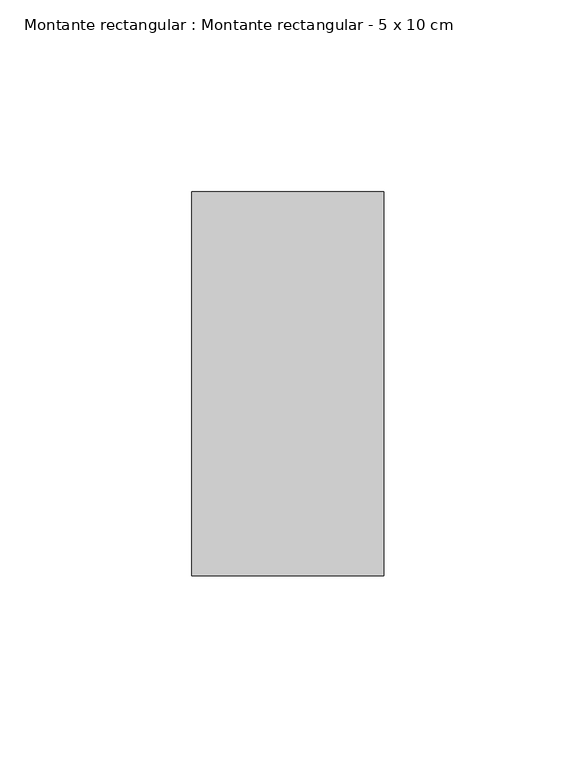
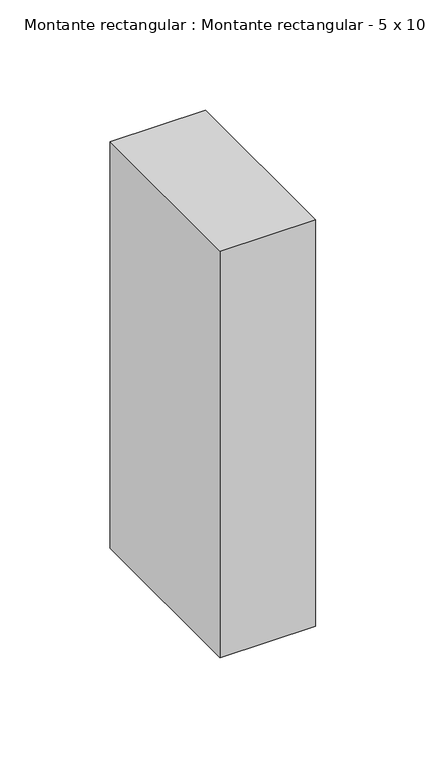
"""IFC4 building model written with IfcOpenShell, lengths in millimetres: member geometry, Montante rectangular : Montante rectangular - 5 x 10 cm."""

import ifcopenshell
import ifcopenshell.guid

model = None  # the IFC model being written
_history = None  # IfcOwnerHistory: only IFC2X3 demands one
_inside = {}  # id of a spatial element -> (the spatial element, [elements in it])
_under = {}  # id of a project, library or spatial element -> (it, [spatial elements below it])
_declared = {}  # id of a project -> (the project, [libraries it declares])
_typed = {}  # id of a type object -> (the type object, [elements of that type])
_made_of = {}  # id of a material, layer set ... -> (it, [elements and type objects made of it])


def new_model(schema):
    """Start an empty IFC model of exactly this schema.

    Asked for "IFC4X3", IfcOpenShell would pick the latest addendum, in which some entities
    have other attributes; the version numbers below select the first issue.
    IFC2X3 requires an IfcOwnerHistory on every rooted entity: one is made here for all.
    """
    global model, _history
    if schema == "IFC4X3":
        model = ifcopenshell.file(schema_version=(4, 3, 0, 0))
    else:
        model = ifcopenshell.file(schema=schema)
    _inside.clear()
    _under.clear()
    _declared.clear()
    _typed.clear()
    _made_of.clear()
    _history = None
    if model.schema == "IFC2X3":
        org = make("IfcOrganization", Name="unknown")
        user = make(
            "IfcPersonAndOrganization",
            ThePerson=make("IfcPerson", FamilyName="unknown"),
            TheOrganization=org,
        )
        app = make(
            "IfcApplication",
            ApplicationDeveloper=org,
            Version="unknown",
            ApplicationFullName="unknown",
            ApplicationIdentifier="unknown",
        )
        _history = make(
            "IfcOwnerHistory",
            OwningUser=user,
            OwningApplication=app,
            ChangeAction="ADDED",
            CreationDate=0,
        )
    return model


def make(cls, **values):
    """One entity of the class cls with the attributes given. An attribute that is None is left unset."""
    return model.create_entity(
        cls, **{name: value for name, value in values.items() if value is not None}
    )


def rooted(cls, **values):
    """An entity with a GlobalId (a new one), such as an element, a storey or a relation."""
    return make(cls, GlobalId=ifcopenshell.guid.new(), OwnerHistory=_history, **values)


def si_unit(unit_type, name, prefix=None):
    """IfcSIUnit, for example si_unit("LENGTHUNIT", "METRE", prefix="MILLI")."""
    return make("IfcSIUnit", UnitType=unit_type, Prefix=prefix, Name=name)


def assignment(units):
    """IfcUnitAssignment: the units of a project."""
    return None if units is None else make("IfcUnitAssignment", Units=units)


def point(xyz):
    """IfcCartesianPoint."""
    return None if xyz is None else make("IfcCartesianPoint", Coordinates=xyz)


def direction(xyz):
    """IfcDirection."""
    return None if xyz is None else make("IfcDirection", DirectionRatios=xyz)


def frame(location, z_axis=None, x_axis=None):
    """IfcAxis2Placement3D, a coordinate frame: its origin and axes. An axis left out is left unset."""
    return make(
        "IfcAxis2Placement3D",
        Location=point(location),
        Axis=direction(z_axis),
        RefDirection=direction(x_axis),
    )


def origin():
    """The frame at (0, 0, 0) with its axes left unset."""
    return frame((0.0, 0.0, 0.0))


def place(relative_to, where):
    """IfcLocalPlacement: puts the frame where relative to a parent placement (None: the world)."""
    return make(
        "IfcLocalPlacement", PlacementRelTo=relative_to, RelativePlacement=where
    )


def context(
    kind, dimensions, precision=None, world=None, true_north=None, identifier=None
):
    """IfcGeometricRepresentationContext, for example the 3D "Model" context."""
    return make(
        "IfcGeometricRepresentationContext",
        ContextIdentifier=identifier,
        ContextType=kind,
        CoordinateSpaceDimension=dimensions,
        Precision=precision,
        WorldCoordinateSystem=world,
        TrueNorth=true_north,
    )


def project(units=None, contexts=None):
    """IfcProject with its units and contexts."""
    return rooted(
        "IfcProject",
        Name="project",
        RepresentationContexts=contexts,
        UnitsInContext=assignment(units),
    )


def spatial(cls, under=None, at=None, **own):
    """A site, building, storey or space (cls), placed at a placement, below another one or the project."""
    s = rooted(cls, ObjectPlacement=at, **own)
    if under is not None:
        _under.setdefault(under.id(), (under, []))[1].append(s)
    return s


def polyline(points):
    """IfcPolyline through the points."""
    return make("IfcPolyline", Points=[point(p) for p in points])


def outline(outer, holes=None, kind="AREA"):
    """IfcArbitraryClosedProfileDef: a profile drawn as a closed curve; with holes, ...WithVoids."""
    if holes is None:
        return make("IfcArbitraryClosedProfileDef", ProfileType=kind, OuterCurve=outer)
    return make(
        "IfcArbitraryProfileDefWithVoids",
        ProfileType=kind,
        OuterCurve=outer,
        InnerCurves=holes,
    )


def extrude(swept, where, along, depth):
    """IfcExtrudedAreaSolid: the profile swept, set in the frame where, extruded along a direction by depth."""
    return make(
        "IfcExtrudedAreaSolid",
        SweptArea=swept,
        Position=where,
        ExtrudedDirection=direction(along),
        Depth=depth,
    )


def shape(context_of_items, identifier, shape_type, items):
    """IfcShapeRepresentation: the items that make up one representation, for example the "Body"."""
    return make(
        "IfcShapeRepresentation",
        ContextOfItems=context_of_items,
        RepresentationIdentifier=identifier,
        RepresentationType=shape_type,
        Items=items,
    )


def source(mapping_origin, context_of_items, identifier, shape_type, items):
    """IfcRepresentationMap: a shape defined once, which mapped items show again and again."""
    return make(
        "IfcRepresentationMap",
        MappingOrigin=mapping_origin,
        MappedRepresentation=shape(context_of_items, identifier, shape_type, items),
    )


def transform(
    local_origin,
    x_axis=None,
    y_axis=None,
    z_axis=None,
    scale=None,
    scale2=None,
    scale3=None,
    uniform=True,
):
    """IfcCartesianTransformationOperator3D, or its non-uniform kind. x_axis, y_axis, z_axis: its Axis1, 2, 3."""
    if uniform:
        return make(
            "IfcCartesianTransformationOperator3D",
            Axis1=direction(x_axis),
            Axis2=direction(y_axis),
            LocalOrigin=point(local_origin),
            Scale=scale,
            Axis3=direction(z_axis),
        )
    return make(
        "IfcCartesianTransformationOperator3DnonUniform",
        Axis1=direction(x_axis),
        Axis2=direction(y_axis),
        LocalOrigin=point(local_origin),
        Scale=scale,
        Axis3=direction(z_axis),
        Scale2=scale2,
        Scale3=scale3,
    )


def mapped(mapping_source, mapping_target):
    """IfcMappedItem: shows the shape of a source again, moved by a transform."""
    return make(
        "IfcMappedItem", MappingSource=mapping_source, MappingTarget=mapping_target
    )


def made_of(thing, what):
    """Note that an element or type object is made of a material, layer set ...; save() writes the relation."""
    if what is not None:
        _made_of.setdefault(what.id(), (what, []))[1].append(thing)
    return thing


def element(
    cls,
    number,
    at=None,
    inside=None,
    cuts=None,
    type_object=None,
    material=None,
    context=None,
    identifier="Body",
    shape_type=None,
    held_by="IfcProductDefinitionShape",
    body=None,
    shapes=None,
    **own,
):
    """One element of the class cls, such as IfcWall. Its Tag is "e" and its number.

    at: its placement. inside: the storey or other place that contains it. cuts: it is an
    opening in that element (IfcRelVoidsElement). A single representation is given by context,
    identifier, shape_type and body (its items); several are given by shapes. held_by: the class
    of the entity that holds the representations. save() writes the other relations.
    """
    e = rooted(cls, Tag="e%d" % number, ObjectPlacement=at, **own)
    if body is not None:
        shapes = [shape(context, identifier, shape_type, body)]
    if shapes is not None:
        e.Representation = make(held_by, Representations=shapes)
    if inside is not None:
        _inside.setdefault(inside.id(), (inside, []))[1].append(e)
    if cuts is not None:
        rooted(
            "IfcRelVoidsElement", RelatingBuildingElement=cuts, RelatedOpeningElement=e
        )
    if type_object is not None:
        _typed.setdefault(type_object.id(), (type_object, []))[1].append(e)
    return made_of(e, material)


def aggregate(whole, parts):
    """IfcRelAggregates: a whole, such as a stair, and the parts it consists of."""
    return rooted("IfcRelAggregates", RelatingObject=whole, RelatedObjects=parts)


def save(model, path):
    """Write the relations noted so far, then the file.

    IfcRelAggregates (storeys below a building ...), IfcRelContainedInSpatialStructure (elements
    in a storey), IfcRelDefinesByType, IfcRelAssociatesMaterial and IfcRelDeclares: one each for
    every whole, place, type object, material and project.
    """
    for whole, parts in _under.values():
        aggregate(whole, parts)
    for where, things in _inside.values():
        rooted(
            "IfcRelContainedInSpatialStructure",
            RelatedElements=things,
            RelatingStructure=where,
        )
    for kind, things in _typed.values():
        rooted("IfcRelDefinesByType", RelatedObjects=things, RelatingType=kind)
    for what, things in _made_of.values():
        rooted("IfcRelAssociatesMaterial", RelatedObjects=things, RelatingMaterial=what)
    for by, libraries in _declared.values():
        rooted("IfcRelDeclares", RelatingContext=by, RelatedDefinitions=libraries)
    model.write(path)


def montante_rectangular_montante_rectangular_5_x_10_cm_21c24f46(model_context):
    return source(origin(), model_context, "Body", "SweptSolid", [
        extrude(outline(polyline([(-50.0, 50.0), (0.0, 50.0), (0.0, -50.0), (-50.0, -50.0), (-50.0, 50.0)])), frame((0.0, 0.0, -225.0), z_axis=(0.0, 0.0, 1.0), x_axis=(1.0, 0.0, 0.0)), (0.0, 0.0, 1.0), 225.0),
    ])


if __name__ == "__main__":
    model = new_model("IFC4")
    model_context = context("Model", 3, world=origin())
    ifc_project = project(units=[si_unit("LENGTHUNIT", "METRE", prefix="MILLI")], contexts=[model_context])
    site = spatial("IfcSite", under=ifc_project)
    building = spatial("IfcBuilding", under=site)
    placement = place(None, origin())
    montante_rectangular_montante_rectangular_5_x_10_cm_shape = montante_rectangular_montante_rectangular_5_x_10_cm_21c24f46(model_context)
    element("IfcMember", 1, ObjectType="Montante rectangular : Montante rectangular - 5 x 10 cm", at=placement, inside=building, context=model_context, shape_type="MappedRepresentation", body=[
        mapped(montante_rectangular_montante_rectangular_5_x_10_cm_shape, transform((0.0, 0.0, 0.0), x_axis=(1.0, 0.0, 0.0), y_axis=(0.0, 1.0, 0.0), z_axis=(0.0, 0.0, 1.0))),
    ])
    save(model, "model.ifc")
